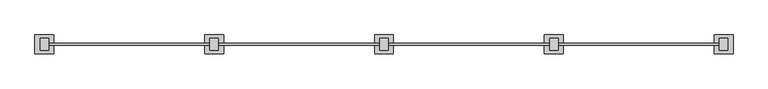
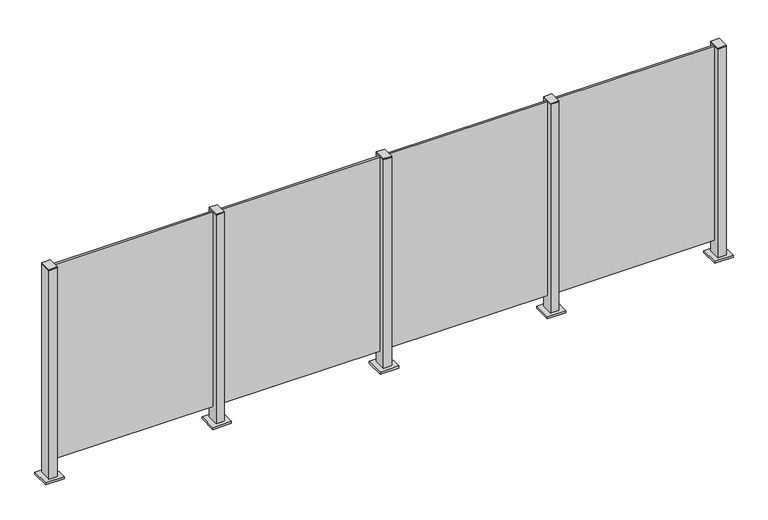
"""IFC4 building model written with IfcOpenShell, lengths in millimetres: railing geometry."""

from ifc_helpers import new_model, si_unit, frame, origin, origin_with_axes, place, context, project, spatial, polyline, outline, extrude, source, transform, mapped, element, save


def railing_794ed6ae(model_context):
    return source(origin(), model_context, "Body", "SweptSolid", [
        extrude(outline(polyline([(68710.0, 5005.9598727), (69590.0, 5005.9598727), (69590.0, 4995.9598727), (68710.0, 4995.9598727), (68710.0, 5005.9598727)])), frame((0.0, 0.0, 95.0), z_axis=(0.0, 0.0, 1.0), x_axis=(1.0, 0.0, 0.0)), (0.0, 0.0, 1.0), 1105.0),
        extrude(outline(polyline([(68722.5, 4967.6846828), (68677.5, 4967.6846828), (68677.5, 5032.6846828), (68722.5, 5032.6846828), (68722.5, 4967.6846828)])), frame((0.0, 0.0, 1200.0), z_axis=(0.0, 0.0, 1.0), x_axis=(1.0, 0.0, 0.0)), (0.0, 0.0, 1.0), 5.0),
        extrude(outline(polyline([(68750.0, 4950.1846828), (68650.0, 4950.1846828), (68650.0, 5050.1846828), (68750.0, 5050.1846828), (68750.0, 4950.1846828)])), origin_with_axes(), (0.0, 0.0, 1.0), 12.0),
        extrude(outline(polyline([(68722.5, 4967.6846828), (68677.5, 4967.6846828), (68677.5, 5032.6846828), (68722.5, 5032.6846828), (68722.5, 4967.6846828)])), frame((0.0, 0.0, 12.0), z_axis=(0.0, 0.0, 1.0), x_axis=(1.0, 0.0, 0.0)), (0.0, 0.0, 1.0), 1188.0),
        extrude(outline(polyline([(67810.0, 5005.9598727), (68690.0, 5005.9598727), (68690.0, 4995.9598727), (67810.0, 4995.9598727), (67810.0, 5005.9598727)])), frame((0.0, 0.0, 95.0), z_axis=(0.0, 0.0, 1.0), x_axis=(1.0, 0.0, 0.0)), (0.0, 0.0, 1.0), 1105.0),
        extrude(outline(polyline([(67822.5, 4967.6846828), (67777.5, 4967.6846828), (67777.5, 5032.6846828), (67822.5, 5032.6846828), (67822.5, 4967.6846828)])), frame((0.0, 0.0, 1200.0), z_axis=(0.0, 0.0, 1.0), x_axis=(1.0, 0.0, 0.0)), (0.0, 0.0, 1.0), 5.0),
        extrude(outline(polyline([(67850.0, 4950.1846828), (67750.0, 4950.1846828), (67750.0, 5050.1846828), (67850.0, 5050.1846828), (67850.0, 4950.1846828)])), origin_with_axes(), (0.0, 0.0, 1.0), 12.0),
        extrude(outline(polyline([(67822.5, 4967.6846828), (67777.5, 4967.6846828), (67777.5, 5032.6846828), (67822.5, 5032.6846828), (67822.5, 4967.6846828)])), frame((0.0, 0.0, 12.0), z_axis=(0.0, 0.0, 1.0), x_axis=(1.0, 0.0, 0.0)), (0.0, 0.0, 1.0), 1188.0),
        extrude(outline(polyline([(66910.0, 5005.9598727), (67790.0, 5005.9598727), (67790.0, 4995.9598727), (66910.0, 4995.9598727), (66910.0, 5005.9598727)])), frame((0.0, 0.0, 95.0), z_axis=(0.0, 0.0, 1.0), x_axis=(1.0, 0.0, 0.0)), (0.0, 0.0, 1.0), 1105.0),
        extrude(outline(polyline([(66922.5, 4967.6846828), (66877.5, 4967.6846828), (66877.5, 5032.6846828), (66922.5, 5032.6846828), (66922.5, 4967.6846828)])), frame((0.0, 0.0, 1200.0), z_axis=(0.0, 0.0, 1.0), x_axis=(1.0, 0.0, 0.0)), (0.0, 0.0, 1.0), 5.0),
        extrude(outline(polyline([(66950.0, 4950.1846828), (66850.0, 4950.1846828), (66850.0, 5050.1846828), (66950.0, 5050.1846828), (66950.0, 4950.1846828)])), origin_with_axes(), (0.0, 0.0, 1.0), 12.0),
        extrude(outline(polyline([(66922.5, 4967.6846828), (66877.5, 4967.6846828), (66877.5, 5032.6846828), (66922.5, 5032.6846828), (66922.5, 4967.6846828)])), frame((0.0, 0.0, 12.0), z_axis=(0.0, 0.0, 1.0), x_axis=(1.0, 0.0, 0.0)), (0.0, 0.0, 1.0), 1188.0),
        extrude(outline(polyline([(66010.0, 5005.9598727), (66890.0, 5005.9598727), (66890.0, 4995.9598727), (66010.0, 4995.9598727), (66010.0, 5005.9598727)])), frame((0.0, 0.0, 95.0), z_axis=(0.0, 0.0, 1.0), x_axis=(1.0, 0.0, 0.0)), (0.0, 0.0, 1.0), 1105.0),
        extrude(outline(polyline([(69622.5, 4967.6846828), (69577.5, 4967.6846828), (69577.5, 5032.6846828), (69622.5, 5032.6846828), (69622.5, 4967.6846828)])), frame((0.0, 0.0, 1200.0), z_axis=(0.0, 0.0, 1.0), x_axis=(1.0, 0.0, 0.0)), (0.0, 0.0, 1.0), 5.0),
        extrude(outline(polyline([(69650.0, 4950.1846828), (69550.0, 4950.1846828), (69550.0, 5050.1846828), (69650.0, 5050.1846828), (69650.0, 4950.1846828)])), origin_with_axes(), (0.0, 0.0, 1.0), 12.0),
        extrude(outline(polyline([(69622.5, 4967.6846828), (69577.5, 4967.6846828), (69577.5, 5032.6846828), (69622.5, 5032.6846828), (69622.5, 4967.6846828)])), frame((0.0, 0.0, 12.0), z_axis=(0.0, 0.0, 1.0), x_axis=(1.0, 0.0, 0.0)), (0.0, 0.0, 1.0), 1188.0),
        extrude(outline(polyline([(66022.5, 4967.6846828), (65977.5, 4967.6846828), (65977.5, 5032.6846828), (66022.5, 5032.6846828), (66022.5, 4967.6846828)])), frame((0.0, 0.0, 1200.0), z_axis=(0.0, 0.0, 1.0), x_axis=(1.0, 0.0, 0.0)), (0.0, 0.0, 1.0), 5.0),
        extrude(outline(polyline([(66050.0, 4950.1846828), (65950.0, 4950.1846828), (65950.0, 5050.1846828), (66050.0, 5050.1846828), (66050.0, 4950.1846828)])), origin_with_axes(), (0.0, 0.0, 1.0), 12.0),
        extrude(outline(polyline([(66022.5, 4967.6846828), (65977.5, 4967.6846828), (65977.5, 5032.6846828), (66022.5, 5032.6846828), (66022.5, 4967.6846828)])), frame((0.0, 0.0, 12.0), z_axis=(0.0, 0.0, 1.0), x_axis=(1.0, 0.0, 0.0)), (0.0, 0.0, 1.0), 1188.0),
    ])


if __name__ == "__main__":
    model = new_model("IFC4")
    model_context = context("Model", 3, world=origin())
    ifc_project = project(units=[si_unit("LENGTHUNIT", "METRE", prefix="MILLI")], contexts=[model_context])
    site = spatial("IfcSite", under=ifc_project)
    building = spatial("IfcBuilding", under=site)
    placement = place(None, origin())
    railing_shape = railing_794ed6ae(model_context)
    element("IfcRailing", 1, at=placement, inside=building, context=model_context, shape_type="MappedRepresentation", body=[
        mapped(railing_shape, transform((0.0, 0.0, 0.0), x_axis=(1.0, 0.0, 0.0), y_axis=(0.0, 1.0, 0.0), z_axis=(0.0, 0.0, 1.0))),
    ])
    save(model, "model.ifc")
